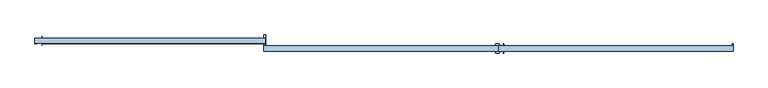
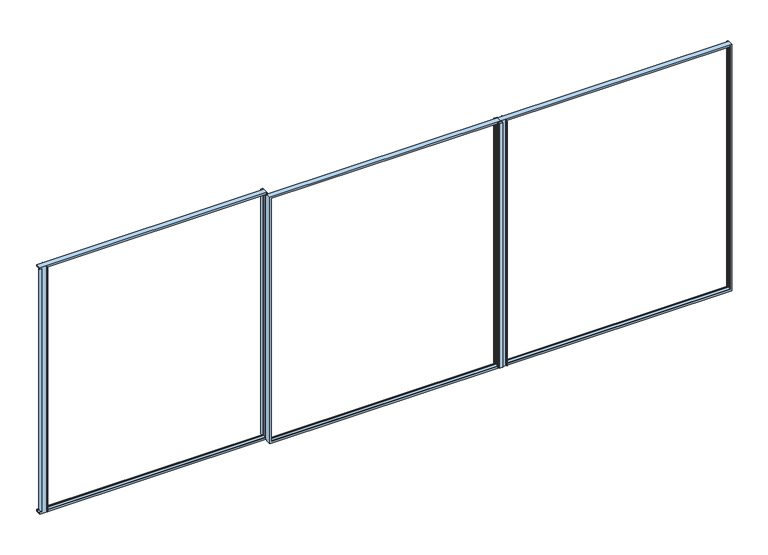
"""IFC4 building model written with IfcOpenShell, lengths in millimetres: window geometry."""

from ifc_helpers import new_model, si_unit, frame, origin, place, context, project, spatial, polyline, circle_curve, source, transform, mapped, element, save
from ifc_brep_helpers import plane_surface, cylinder_surface, revolved_surface, advanced_brep


def window_4275bd97(model_context):
    return source(origin(), model_context, "Body", "AdvancedBrep", [
        advanced_brep(
        [(3163.5698952, -74.5, 857.0), (3166.4537305, -72.3267369, 857.0), (3167.8365185, -67.5032764, 857.0), (3167.7118247, -65.5669635, 857.0), (3161.9766735, -50.1567861, 857.0), (3162.4514557, -49.5, 857.0), (3165.2114946, -49.5, 857.0), (3166.1677993, -50.2076283, 857.0), (3170.8203699, -65.425501, 857.0), (3170.8203699, -67.9823333, 857.0), (3168.9518875, -74.5, 857.0), (3168.9518875, -143.3, 857.0), (3170.8203699, -149.8176667, 857.0), (3170.8203699, -152.374499, 857.0), (3166.1677993, -167.5923717, 857.0), (3165.2114946, -168.3, 857.0), (3162.4514557, -168.3, 857.0), (3161.9766735, -167.6432139, 857.0), (3167.7118247, -152.2330365, 857.0), (3167.8365185, -150.2967236, 857.0), (3166.4537305, -145.4732631, 857.0), (3163.5698952, -143.3, 857.0), (3163.5698952, -74.5, 4243.0), (3166.4537305, -72.3267369, 4243.0), (3167.8365185, -67.5032764, 4243.0), (3167.7118247, -65.5669635, 4243.0), (3161.9766735, -50.1567861, 4243.0), (3162.4514557, -49.5, 4243.0), (3165.2114946, -49.5, 4243.0), (3166.1677993, -50.2076283, 4243.0), (3170.8203699, -65.425501, 4243.0), (3170.8203699, -67.9823333, 4243.0), (3168.9518875, -74.5, 4243.0), (6125.0, -74.5, 844.6250765), (3100.0, -74.5, 844.6250765), (3100.0, -74.5, 845.5), (74.0, -74.5, 845.5), (74.0, -74.5, 857.0), (85.6, -74.5, 857.0), (85.6, -74.5, 4243.0), (74.0, -74.5, 4243.0), (74.0, -74.5, 4256.0), (3100.0, -74.5, 4256.0), (3100.0, -74.5, 4257.5), (6125.0, -74.5, 4257.5), (6125.0, -74.5, 4243.0), (6114.4, -74.5, 4243.0), (6114.4, -74.5, 857.0), (6125.0, -74.5, 857.0), (3056.9, -74.5, 869.1), (3056.9, -74.5, 4231.5), (100.0, -74.5, 4231.5), (100.0, -74.5, 869.1), (3171.0, -74.5, 4231.5), (3171.0, -74.5, 869.1), (6100.0, -74.5, 869.1), (6100.0, -74.5, 4231.5), (3100.0, -74.5, 4243.0), (3057.9800343, -74.5, 4243.0), (3057.9800343, -74.5, 857.0), (3100.0, -74.5, 857.0), (3168.9518875, -143.3, 4243.0), (3170.8203699, -149.8176667, 4243.0), (3170.8203699, -152.374499, 4243.0), (3166.1677993, -167.5923717, 4243.0), (3165.2114946, -168.3, 4243.0), (3162.4514557, -168.3, 4243.0), (3161.9766735, -167.6432139, 4243.0), (3167.7118247, -152.2330365, 4243.0), (3167.8365185, -150.2967236, 4243.0), (3166.4537305, -145.4732631, 4243.0), (3163.5698952, -143.3, 4243.0), (3100.0, -143.3, 844.6250765), (6125.0, -143.3, 844.6250765), (6125.0, -143.3, 4257.5), (3100.0, -143.3, 4257.5), (3100.0, -143.3, 4256.0), (74.0, -143.3, 4256.0), (74.0, -143.3, 845.5), (3100.0, -143.3, 845.5), (3171.0, -143.3, 869.1), (3171.0, -143.3, 4231.5), (6101.0, -143.3, 4231.5), (6101.0, -143.3, 869.1), (99.0, -143.3, 869.1), (99.0, -143.3, 4231.5), (3056.9, -143.3, 4231.5), (3056.9, -143.3, 4243.0), (3100.0, -143.3, 4243.0), (3100.0, -143.3, 857.0), (3056.9, -143.3, 857.0), (3056.9, -143.3, 869.1), (6125.0, -48.4969017, 857.0), (6125.0, -48.4969017, 4243.0), (74.0, -48.4969017, 4243.0), (74.0, -48.4969017, 857.0), (3171.0, -136.0, 869.1), (3171.0, -136.0, 4239.9999325), (3171.0, -140.1, 4239.9999325), (3171.0, -140.1, 4231.5), (6101.0, -140.1, 4231.5), (6101.0, -140.1, 4239.9999325), (6101.0, -136.0, 4239.9999325), (6101.0, -136.0, 869.1), (99.0, -136.0, 869.1), (99.0, -136.0, 4231.5), (3100.0, -146.2, 4243.0), (3100.0, -146.2, 857.0), (3100.0, -71.7983618, 857.0), (3100.0, -71.7983618, 4243.0), (3112.5, -146.2, 857.0), (3112.5, -152.126146, 857.0), (3112.3689143, -153.0032611, 857.0), (3107.6310857, -168.5, 857.0), (3062.2689143, -168.5, 857.0), (3057.5310857, -153.0032611, 857.0), (3057.4, -152.126146, 857.0), (3057.4, -144.0800343, 857.0), (3057.9800343, -143.5, 857.0), (3056.9, -143.5, 857.0), (3057.4, -73.9199657, 857.0), (3057.4, -65.5156518, 857.0), (3062.0520916, -50.2092041, 857.0), (3063.0088768, -49.5, 857.0), (3106.8911247, -49.5, 857.0), (3107.8687195, -50.2895046, 857.0), (3112.3687101, -64.9960714, 857.0), (3112.5, -65.873854, 857.0), (3112.5, -71.7983618, 857.0), (3056.9, -143.5, 4243.0), (3056.9, -136.0, 4231.5), (3056.9, -136.0, 869.1), (6113.0, -136.0, 4239.9999325), (6113.0, -136.0, 860.0000675), (3156.9514556, -136.0, 860.0000675), (3156.9514556, -136.0, 4239.9999325), (6113.0, -82.0, 860.0000675), (6113.0, -82.0, 4239.9999325), (3156.9514556, -82.0, 860.0000675), (3156.9514556, -82.0, 4239.9999325), (3171.0, -82.0, 869.1), (3171.0, -82.0, 4231.5), (6100.0, -82.0, 4231.5), (6100.0, -82.0, 869.1), (85.6, -48.4969017, 857.0), (85.6, -48.4969017, 4243.0), (6114.4, -48.4969017, 4243.0), (6114.4, -48.4969017, 857.0), (3057.4, -73.9199657, 4243.0), (3056.9, -82.0, 869.1), (3056.9, -82.0, 4231.5), (100.0, -82.0, 869.1), (100.0, -82.0, 4231.5), (3068.9, -136.0, 860.0000675), (87.0, -136.0, 860.0000675), (87.0, -136.0, 4239.9999325), (3068.9, -136.0, 4239.9999325), (87.0, -82.0, 860.0000675), (3068.9, -82.0, 860.0000675), (87.0, -82.0, 4239.9999325), (3068.9, -82.0, 4239.9999325), (3112.5, -146.2, 4243.0), (3112.5, -152.126146, 4243.0), (3112.3689143, -153.0032611, 4243.0), (3107.6310857, -168.5, 4243.0), (3062.2689143, -168.5, 4243.0), (3057.5310857, -153.0032611, 4243.0), (3057.4, -152.126146, 4243.0), (3057.4, -144.0800343, 4243.0), (3057.9800343, -143.5, 4243.0), (3057.4, -65.5156518, 4243.0), (3062.0520916, -50.2092041, 4243.0), (3063.0088768, -49.5, 4243.0), (3106.8911247, -49.5, 4243.0), (3107.8687195, -50.2895046, 4243.0), (3112.3687101, -64.9960714, 4243.0), (3112.5, -65.873854, 4243.0), (3112.5, -71.7983618, 4243.0)],
        [
            (0, 1, circle_curve(frame((3163.5698952, -71.5, 857.0), z_axis=(0.0, 0.0, 1.0), x_axis=(0.0, -1.0, 0.0)), 3.0)),
            (1, 2),
            (2, 3, circle_curve(frame((3164.9412396, -66.7175538, 857.0), z_axis=(0.0, 0.0, 1.0), x_axis=(0.0, -1.0, 0.0)), 3.0)),
            (3, 4, circle_curve(frame((3371.1446142, 18.9162025, 857.0), z_axis=(0.0, 0.0, -1.0), x_axis=(0.0, -1.0, 0.0)), 220.2777909)),
            (4, 5, circle_curve(frame((3162.4514557, -50.0, 857.0), z_axis=(0.0, 0.0, -1.0), x_axis=(0.0, -1.0, 0.0)), 0.5)),
            (5, 6),
            (6, 7, circle_curve(frame((3165.2114946, -50.5, 857.0), z_axis=(0.0, 0.0, -1.0), x_axis=(0.0, -1.0, 0.0)), 1.0)),
            (7, 8),
            (8, 9, circle_curve(frame((3166.3609807, -66.7039171, 857.0), z_axis=(0.0, 0.0, -1.0), x_axis=(0.0, -1.0, 0.0)), 4.6390193)),
            (9, 10),
            (10, 0),
            (11, 12),
            (12, 13, circle_curve(frame((3166.3609807, -151.0960829, 857.0), z_axis=(0.0, 0.0, -1.0), x_axis=(0.0, -1.0, 0.0)), 4.6390193)),
            (13, 14),
            (14, 15, circle_curve(frame((3165.2114946, -167.3, 857.0), z_axis=(0.0, 0.0, -1.0), x_axis=(0.0, -1.0, 0.0)), 1.0)),
            (15, 16),
            (16, 17, circle_curve(frame((3162.4514557, -167.8, 857.0), z_axis=(0.0, 0.0, -1.0), x_axis=(0.0, -1.0, 0.0)), 0.5)),
            (17, 18, circle_curve(frame((3371.1446142, -236.7162025, 857.0), z_axis=(0.0, 0.0, -1.0), x_axis=(0.0, -1.0, 0.0)), 220.2777909)),
            (18, 19, circle_curve(frame((3164.9412396, -151.0824462, 857.0), z_axis=(0.0, 0.0, 1.0), x_axis=(0.0, -1.0, 0.0)), 3.0)),
            (19, 20),
            (20, 21, circle_curve(frame((3163.5698952, -146.3, 857.0), z_axis=(0.0, 0.0, 1.0), x_axis=(0.0, -1.0, 0.0)), 3.0)),
            (21, 11),
            (22, 23, circle_curve(frame((3163.5698952, -71.5, 4243.0), z_axis=(0.0, 0.0, 1.0), x_axis=(0.0, -1.0, 0.0)), 3.0)),
            (23, 1),
            (0, 22),
            (23, 24),
            (24, 2),
            (24, 25, circle_curve(frame((3164.9412396, -66.7175538, 4243.0), z_axis=(0.0, 0.0, 1.0), x_axis=(0.0, -1.0, 0.0)), 3.0)),
            (25, 3),
            (25, 26, circle_curve(frame((3371.1446142, 18.9162025, 4243.0), z_axis=(0.0, 0.0, -1.0), x_axis=(0.0, -1.0, 0.0)), 220.2777909)),
            (26, 4),
            (26, 27, circle_curve(frame((3162.4514557, -50.0, 4243.0), z_axis=(0.0, 0.0, -1.0), x_axis=(0.0, -1.0, 0.0)), 0.5)),
            (27, 5),
            (27, 28),
            (28, 6),
            (28, 29, circle_curve(frame((3165.2114946, -50.5, 4243.0), z_axis=(0.0, 0.0, -1.0), x_axis=(0.0, -1.0, 0.0)), 1.0)),
            (29, 7),
            (29, 30),
            (30, 8),
            (30, 31, circle_curve(frame((3166.3609807, -66.7039171, 4243.0), z_axis=(0.0, 0.0, -1.0), x_axis=(0.0, -1.0, 0.0)), 4.6390193)),
            (31, 9),
            (31, 32),
            (32, 10),
            (33, 34),
            (34, 35),
            (35, 36),
            (36, 37),
            (37, 38),
            (38, 39),
            (39, 40),
            (40, 41),
            (41, 42),
            (42, 43),
            (43, 44),
            (44, 45),
            (45, 46),
            (46, 47),
            (47, 48),
            (48, 33),
            (32, 22),
            (49, 50),
            (50, 51),
            (51, 52),
            (52, 49),
            (53, 54),
            (54, 55),
            (55, 56),
            (56, 53),
            (57, 58),
            (58, 59),
            (59, 60),
            (60, 57),
            (61, 62),
            (62, 12),
            (11, 61),
            (62, 63, circle_curve(frame((3166.3609807, -151.0960829, 4243.0), z_axis=(0.0, 0.0, -1.0), x_axis=(0.0, -1.0, 0.0)), 4.6390193)),
            (63, 13),
            (63, 64),
            (64, 14),
            (64, 65, circle_curve(frame((3165.2114946, -167.3, 4243.0), z_axis=(0.0, 0.0, -1.0), x_axis=(0.0, -1.0, 0.0)), 1.0)),
            (65, 15),
            (65, 66),
            (66, 16),
            (66, 67, circle_curve(frame((3162.4514557, -167.8, 4243.0), z_axis=(0.0, 0.0, -1.0), x_axis=(0.0, -1.0, 0.0)), 0.5)),
            (67, 17),
            (67, 68, circle_curve(frame((3371.1446142, -236.7162025, 4243.0), z_axis=(0.0, 0.0, -1.0), x_axis=(0.0, -1.0, 0.0)), 220.2777909)),
            (68, 18),
            (68, 69, circle_curve(frame((3164.9412396, -151.0824462, 4243.0), z_axis=(0.0, 0.0, 1.0), x_axis=(0.0, -1.0, 0.0)), 3.0)),
            (69, 19),
            (69, 70),
            (70, 20),
            (70, 71, circle_curve(frame((3163.5698952, -146.3, 4243.0), z_axis=(0.0, 0.0, 1.0), x_axis=(0.0, -1.0, 0.0)), 3.0)),
            (71, 21),
            (72, 73),
            (73, 74),
            (74, 75),
            (75, 76),
            (76, 77),
            (77, 78),
            (78, 79),
            (79, 72),
            (71, 61),
            (80, 81),
            (81, 82),
            (82, 83),
            (83, 80),
            (84, 85),
            (85, 86),
            (86, 87),
            (87, 88),
            (88, 89),
            (89, 90),
            (90, 91),
            (91, 84),
            (34, 72),
            (79, 35),
            (75, 43),
            (42, 76),
            (33, 73),
            (78, 36),
            (48, 92),
            (92, 93),
            (93, 45),
            (44, 74),
            (94, 95),
            (95, 37),
            (77, 41),
            (40, 94),
            (80, 96),
            (96, 97),
            (97, 98),
            (98, 99),
            (99, 81),
            (82, 100),
            (100, 101),
            (101, 102),
            (102, 103),
            (103, 83),
            (103, 96),
            (84, 104),
            (104, 105),
            (105, 85),
            (106, 107),
            (107, 89),
            (88, 106),
            (108, 109),
            (109, 57),
            (60, 108),
            (107, 110),
            (110, 111),
            (111, 112, circle_curve(frame((3109.5, -152.126146, 857.0), z_axis=(0.0, 0.0, -1.0), x_axis=(0.0, -1.0, 0.0)), 3.0)),
            (112, 113),
            (113, 114),
            (114, 115),
            (115, 116, circle_curve(frame((3060.4, -152.126146, 857.0), z_axis=(0.0, 0.0, -1.0), x_axis=(0.0, -1.0, 0.0)), 3.0)),
            (116, 117),
            (117, 118),
            (118, 119),
            (119, 90),
            (59, 120),
            (120, 121),
            (121, 122),
            (122, 123, circle_curve(frame((3063.0088768, -50.5, 857.0), z_axis=(0.0, 0.0, -1.0), x_axis=(0.0, -1.0, 0.0)), 1.0)),
            (123, 124),
            (124, 125, circle_curve(frame((3106.8911247, -50.5, 857.0), z_axis=(0.0, 0.0, -1.0), x_axis=(0.0, -1.0, 0.0)), 1.0)),
            (125, 126),
            (126, 127, circle_curve(frame((3109.5, -65.873854, 857.0), z_axis=(0.0, 0.0, -1.0), x_axis=(0.0, -1.0, 0.0)), 3.0)),
            (127, 128),
            (128, 108),
            (119, 129),
            (129, 87),
            (86, 130),
            (130, 131),
            (131, 91),
            (131, 104),
            (102, 132),
            (132, 133),
            (133, 134),
            (134, 135),
            (135, 97),
            (136, 133),
            (132, 137),
            (137, 136),
            (138, 134),
            (136, 138),
            (138, 139),
            (139, 135),
            (137, 139),
            (140, 141),
            (141, 142),
            (142, 143),
            (143, 140),
            (140, 54),
            (53, 141),
            (142, 56),
            (55, 143),
            (95, 144),
            (144, 38),
            (145, 39),
            (144, 145),
            (46, 146),
            (146, 147),
            (147, 47),
            (147, 92),
            (58, 148),
            (148, 120),
            (49, 149),
            (149, 150),
            (150, 50),
            (151, 52),
            (51, 152),
            (152, 151),
            (151, 149),
            (146, 93),
            (94, 145),
            (153, 154),
            (154, 155),
            (155, 156),
            (156, 153),
            (130, 105),
            (157, 154),
            (153, 158),
            (158, 157),
            (157, 159),
            (159, 155),
            (160, 158),
            (156, 160),
            (160, 159),
            (152, 150),
            (106, 161),
            (161, 110),
            (161, 162),
            (162, 111),
            (162, 163, circle_curve(frame((3109.5, -152.126146, 4243.0), z_axis=(0.0, 0.0, -1.0), x_axis=(0.0, -1.0, 0.0)), 3.0)),
            (163, 112),
            (163, 164),
            (164, 113),
            (164, 165),
            (165, 114),
            (165, 166),
            (166, 115),
            (166, 167, circle_curve(frame((3060.4, -152.126146, 4243.0), z_axis=(0.0, 0.0, -1.0), x_axis=(0.0, -1.0, 0.0)), 3.0)),
            (167, 116),
            (167, 168),
            (168, 117),
            (168, 169),
            (169, 118),
            (169, 129),
            (148, 170),
            (170, 121),
            (170, 171),
            (171, 122),
            (171, 172, circle_curve(frame((3063.0088768, -50.5, 4243.0), z_axis=(0.0, 0.0, -1.0), x_axis=(0.0, -1.0, 0.0)), 1.0)),
            (172, 123),
            (172, 173),
            (173, 124),
            (173, 174, circle_curve(frame((3106.8911247, -50.5, 4243.0), z_axis=(0.0, 0.0, -1.0), x_axis=(0.0, -1.0, 0.0)), 1.0)),
            (174, 125),
            (174, 175),
            (175, 126),
            (175, 176, circle_curve(frame((3109.5, -65.873854, 4243.0), z_axis=(0.0, 0.0, -1.0), x_axis=(0.0, -1.0, 0.0)), 3.0)),
            (176, 127),
            (176, 177),
            (177, 128),
            (177, 109),
            (99, 100),
            (101, 98),
        ],
        [
            plane_surface(frame((3100.0, 100.0, 857.0), z_axis=(0.0, 0.0, -1.0), x_axis=(0.0, -1.0, 0.0))),
            revolved_surface(polyline([(3163.5698952, -74.5, 857.0), (3163.5698952, -74.5, 4243.0)]), (3163.5698952, -71.5, 4243.0), (0.0, 0.0, -1.0)),
            plane_surface(frame((3167.8365185, -67.5032764, 4243.0), z_axis=(-0.9612784358413581, 0.27557897014538674, 0.0), x_axis=(0.0, 0.0, -1.0))),
            revolved_surface(polyline([(3164.9412396, -69.7175538, 857.0), (3164.9412396, -69.7175538, 4243.0)]), (3164.9412396, -66.7175538, 4243.0), (0.0, 0.0, -1.0)),
            cylinder_surface(frame((3371.1446142, 18.9162025, 4243.0), z_axis=(0.0, 0.0, 1.0), x_axis=(0.0, -1.0, 0.0)), 220.2777909),
            cylinder_surface(frame((3162.4514557, -50.0, 4243.0), z_axis=(0.0, 0.0, 1.0), x_axis=(0.0, -1.0, 0.0)), 0.5),
            plane_surface(frame((3165.2114946, -49.5, 4243.0), z_axis=(0.0, 1.0, 0.0), x_axis=(0.0, 0.0, -1.0))),
            cylinder_surface(frame((3165.2114946, -50.5, 4243.0), z_axis=(0.0, 0.0, 1.0), x_axis=(0.0, -1.0, 0.0)), 1.0),
            plane_surface(frame((3170.8203699, -65.425501, 4243.0), z_axis=(0.9563047559630969, 0.29237170472253593, 0.0), x_axis=(0.0, 0.0, -1.0))),
            cylinder_surface(frame((3166.3609807, -66.7039171, 4243.0), z_axis=(0.0, 0.0, 1.0), x_axis=(0.0, -1.0, 0.0)), 4.6390193),
            plane_surface(frame((3168.9518875, -74.5, 4243.0), z_axis=(0.9612784356161288, -0.2755789709310353, 0.0), x_axis=(0.0, 0.0, -1.0))),
            plane_surface(frame((3171.0, -74.5, 4243.0), z_axis=(0.0, 1.0, 0.0), x_axis=(0.0, 0.0, -1.0))),
            plane_surface(frame((3170.8203699, -149.8176667, 4243.0), z_axis=(0.9612784356501644, 0.2755789708123116, 0.0), x_axis=(0.0, 0.0, -1.0))),
            cylinder_surface(frame((3166.3609807, -151.0960829, 4243.0), z_axis=(0.0, 0.0, 1.0), x_axis=(0.0, -1.0, 0.0)), 4.6390193),
            plane_surface(frame((3166.1677993, -167.5923717, 4243.0), z_axis=(0.9563047559631205, -0.2923717047224588, 0.0), x_axis=(0.0, 0.0, -1.0))),
            cylinder_surface(frame((3165.2114946, -167.3, 4243.0), z_axis=(0.0, 0.0, 1.0), x_axis=(0.0, -1.0, 0.0)), 1.0),
            plane_surface(frame((3162.4514557, -168.3, 4243.0), z_axis=(0.0, -1.0, 0.0), x_axis=(0.0, 0.0, -1.0))),
            cylinder_surface(frame((3162.4514557, -167.8, 4243.0), z_axis=(0.0, 0.0, 1.0), x_axis=(0.0, -1.0, 0.0)), 0.5),
            cylinder_surface(frame((3371.1446142, -236.7162025, 4243.0), z_axis=(0.0, 0.0, 1.0), x_axis=(0.0, -1.0, 0.0)), 220.2777909),
            revolved_surface(polyline([(3164.9412396, -154.0824462, 857.0), (3164.9412396, -154.0824462, 4243.0)]), (3164.9412396, -151.0824462, 4243.0), (0.0, 0.0, -1.0)),
            plane_surface(frame((3166.4537305, -145.4732631, 4243.0), z_axis=(-0.9612784358644257, -0.27557897006492205, 0.0), x_axis=(0.0, 0.0, -1.0))),
            revolved_surface(polyline([(3163.5698952, -149.3, 857.0), (3163.5698952, -149.3, 4243.0)]), (3163.5698952, -146.3, 4243.0), (0.0, 0.0, -1.0)),
            plane_surface(frame((3100.0, -143.3, 4243.0), z_axis=(0.0, -1.0, 0.0), x_axis=(0.0, 0.0, -1.0))),
            plane_surface(frame((3100.0, -74.5, 4243.0), z_axis=(-1.0, 0.0, 0.0), x_axis=(0.0, 0.0, -1.0))),
            plane_surface(frame((3100.0, -74.5, 844.6250765), z_axis=(0.0, 0.0, -1.0), x_axis=(1.0, 0.0, 0.0))),
            plane_surface(frame((74.0, -74.5, 845.5), z_axis=(0.0, 0.0, -1.0), x_axis=(1.0, 0.0, 0.0))),
            plane_surface(frame((6125.0, -74.5, 869.1), z_axis=(1.0, 0.0, 0.0), x_axis=(0.0, -1.0, 0.0))),
            plane_surface(frame((74.0, -48.4969017, 4243.0), z_axis=(-1.0, 0.0, 0.0), x_axis=(0.0, 0.0, -1.0))),
            plane_surface(frame((3171.0, -143.3, 4243.0), z_axis=(1.0, 0.0, 0.0), x_axis=(0.0, 0.0, -1.0))),
            plane_surface(frame((6101.0, -136.0, 4243.0), z_axis=(-1.0, 0.0, 0.0), x_axis=(0.0, 0.0, -1.0))),
            plane_surface(frame((3100.0, -143.3, 869.1), z_axis=(0.0, 0.0, 1.0), x_axis=(1.0, 0.0, 0.0))),
            plane_surface(frame((99.0, -143.3, 4243.0), z_axis=(1.0, 0.0, 0.0), x_axis=(0.0, 0.0, -1.0))),
            plane_surface(frame((3100.0, -106.9, 4243.0), z_axis=(1.0, 0.0, 0.0), x_axis=(0.0, 0.0, -1.0))),
            plane_surface(frame((3056.9, -136.0, 4243.0), z_axis=(-1.0, 0.0, 0.0), x_axis=(0.0, 0.0, -1.0))),
            plane_surface(frame((74.0, -143.3, 869.1), z_axis=(0.0, 0.0, 1.0), x_axis=(1.0, 0.0, 0.0))),
            plane_surface(frame((3171.0, -136.0, 4243.0), z_axis=(0.0, 1.0, 0.0), x_axis=(0.0, 0.0, -1.0))),
            plane_surface(frame((6113.0, -82.0, 4243.0), z_axis=(-1.0, 0.0, 0.0), x_axis=(0.0, 0.0, -1.0))),
            plane_surface(frame((3100.0, -136.0, 860.0000675), z_axis=(0.0, 0.0, 1.0), x_axis=(1.0, 0.0, 0.0))),
            plane_surface(frame((3156.9514556, -136.0, 4243.0), z_axis=(1.0, 0.0, 0.0), x_axis=(0.0, 0.0, -1.0))),
            plane_surface(frame((3156.9514556, -82.0, 4243.0), z_axis=(0.0, -1.0, 0.0), x_axis=(0.0, 0.0, -1.0))),
            plane_surface(frame((3171.0, -82.0, 4243.0), z_axis=(1.0, 0.0, 0.0), x_axis=(0.0, 0.0, -1.0))),
            plane_surface(frame((6100.0, -74.5, 4243.0), z_axis=(-1.0, 0.0, 0.0), x_axis=(0.0, 0.0, -1.0))),
            plane_surface(frame((3100.0, -82.0, 869.1), z_axis=(0.0, 0.0, 1.0), x_axis=(1.0, 0.0, 0.0))),
            plane_surface(frame((74.0, -143.3, 857.0), z_axis=(0.0, 0.0, -1.0), x_axis=(0.0, 1.0, 0.0))),
            plane_surface(frame((85.6, -74.5, 4243.0), z_axis=(1.0, 0.0, 0.0), x_axis=(0.0, 0.0, -1.0))),
            plane_surface(frame((6114.4, -48.4969017, 4243.0), z_axis=(-1.0, 0.0, 0.0), x_axis=(0.0, 0.0, -1.0))),
            plane_surface(frame((6114.4, -48.4969017, 857.0), z_axis=(0.0, 0.0, -1.0), x_axis=(1.0, 0.0, 0.0))),
            plane_surface(frame((3057.4, -73.9199657, 4243.0), z_axis=(-0.7071067811873726, -0.7071067811857225, 0.0), x_axis=(0.0, 0.0, -1.0))),
            plane_surface(frame((3056.9, -74.5, 4243.0), z_axis=(-1.0, 0.0, 0.0), x_axis=(0.0, 0.0, -1.0))),
            plane_surface(frame((100.0, -82.0, 4243.0), z_axis=(1.0, 0.0, 0.0), x_axis=(0.0, 0.0, -1.0))),
            plane_surface(frame((74.0, -82.0, 869.1), z_axis=(0.0, 0.0, 1.0), x_axis=(1.0, 0.0, 0.0))),
            plane_surface(frame((6125.0, -48.4969017, 4243.0), z_axis=(0.0, 1.0, 0.0), x_axis=(0.0, 0.0, -1.0))),
            plane_surface(frame((85.6, -48.4969017, 4243.0), z_axis=(0.0, 1.0, 0.0), x_axis=(0.0, 0.0, -1.0))),
            plane_surface(frame((99.0, -136.0, 4243.0), z_axis=(0.0, 1.0, 0.0), x_axis=(0.0, 0.0, -1.0))),
            plane_surface(frame((74.0, -136.0, 860.0000675), z_axis=(0.0, 0.0, 1.0), x_axis=(1.0, 0.0, 0.0))),
            plane_surface(frame((87.0, -136.0, 4243.0), z_axis=(1.0, 0.0, 0.0), x_axis=(0.0, 0.0, -1.0))),
            plane_surface(frame((3068.9, -82.0, 4243.0), z_axis=(-1.0, 0.0, 0.0), x_axis=(0.0, 0.0, -1.0))),
            plane_surface(frame((87.0, -82.0, 4243.0), z_axis=(0.0, -1.0, 0.0), x_axis=(0.0, 0.0, -1.0))),
            plane_surface(frame((3112.5, -146.2, 4243.0), z_axis=(0.0, 1.0, 0.0), x_axis=(0.0, 0.0, -1.0))),
            plane_surface(frame((3112.5, -152.126146, 4243.0), z_axis=(1.0, 0.0, 0.0), x_axis=(0.0, 0.0, -1.0))),
            cylinder_surface(frame((3109.5, -152.126146, 4243.0), z_axis=(0.0, 0.0, 1.0), x_axis=(0.0, -1.0, 0.0)), 3.0),
            plane_surface(frame((3107.6310857, -168.5, 4243.0), z_axis=(0.9563047559612567, -0.29237170472855495, 0.0), x_axis=(0.0, 0.0, -1.0))),
            plane_surface(frame((3062.2689143, -168.5, 4243.0), z_axis=(0.0, -1.0, 0.0), x_axis=(0.0, 0.0, -1.0))),
            plane_surface(frame((3057.5310857, -153.0032611, 4243.0), z_axis=(-0.9563047559632227, -0.2923717047221244, 0.0), x_axis=(0.0, 0.0, -1.0))),
            cylinder_surface(frame((3060.4, -152.126146, 4243.0), z_axis=(0.0, 0.0, 1.0), x_axis=(0.0, -1.0, 0.0)), 3.0),
            plane_surface(frame((3057.4, -144.0800343, 4243.0), z_axis=(-1.0, 0.0, 0.0), x_axis=(0.0, 0.0, -1.0))),
            plane_surface(frame((3057.9800343, -143.5, 4243.0), z_axis=(-0.7071067811863826, 0.7071067811867126, 0.0), x_axis=(0.0, 0.0, -1.0))),
            plane_surface(frame((3056.9, -143.5, 4243.0), z_axis=(0.0, -1.0, 0.0), x_axis=(0.0, 0.0, -1.0))),
            plane_surface(frame((3057.4, -65.5156518, 4243.0), z_axis=(-1.0, 0.0, 0.0), x_axis=(0.0, 0.0, -1.0))),
            plane_surface(frame((3062.0520916, -50.2092041, 4243.0), z_axis=(-0.9567851127741164, 0.29079588713360716, 0.0), x_axis=(0.0, 0.0, -1.0))),
            cylinder_surface(frame((3063.0088768, -50.5, 4243.0), z_axis=(0.0, 0.0, 1.0), x_axis=(0.0, -1.0, 0.0)), 1.0),
            plane_surface(frame((3106.8911247, -49.5, 4243.0), z_axis=(0.0, 1.0, 0.0), x_axis=(0.0, 0.0, -1.0))),
            cylinder_surface(frame((3106.8911247, -50.5, 4243.0), z_axis=(0.0, 0.0, 1.0), x_axis=(0.0, -1.0, 0.0)), 1.0),
            plane_surface(frame((3112.3687101, -64.9960714, 4243.0), z_axis=(0.9562367032450274, 0.29259420255206975, 0.0), x_axis=(0.0, 0.0, -1.0))),
            cylinder_surface(frame((3109.5, -65.873854, 4243.0), z_axis=(0.0, 0.0, 1.0), x_axis=(0.0, -1.0, 0.0)), 3.0),
            plane_surface(frame((3112.5, -71.7983618, 4243.0), z_axis=(1.0, 0.0, 0.0), x_axis=(0.0, 0.0, -1.0))),
            plane_surface(frame((3100.0, -71.7983618, 4243.0), z_axis=(0.0, -1.0, 0.0), x_axis=(0.0, 0.0, -1.0))),
            plane_surface(frame((3100.0, 100.0, 4243.0), z_axis=(0.0, 0.0, 1.0), x_axis=(0.0, -1.0, 0.0))),
            plane_surface(frame((3100.0, -143.3, 4257.5), z_axis=(0.0, 0.0, 1.0), x_axis=(1.0, 0.0, 0.0))),
            plane_surface(frame((74.0, -143.3, 4256.0), z_axis=(0.0, 0.0, 1.0), x_axis=(1.0, 0.0, 0.0))),
            plane_surface(frame((3100.0, -140.1, 4231.5), z_axis=(0.0, 0.0, -1.0), x_axis=(1.0, 0.0, 0.0))),
            plane_surface(frame((74.0, -136.0, 4231.5), z_axis=(0.0, 0.0, -1.0), x_axis=(1.0, 0.0, 0.0))),
            plane_surface(frame((3100.0, -82.0, 4239.9999325), z_axis=(0.0, 0.0, -1.0), x_axis=(1.0, 0.0, 0.0))),
            plane_surface(frame((3100.0, -140.1, 4239.9999325), z_axis=(0.0, 1.0, 0.0), x_axis=(1.0, 0.0, 0.0))),
            plane_surface(frame((3100.0, -74.5, 4231.5), z_axis=(0.0, 0.0, -1.0), x_axis=(1.0, 0.0, 0.0))),
            plane_surface(frame((74.0, -143.3, 4243.0), z_axis=(0.0, 0.0, 1.0), x_axis=(0.0, -1.0, 0.0))),
            plane_surface(frame((6114.4, -48.4969017, 4243.0), z_axis=(0.0, 0.0, 1.0), x_axis=(-1.0, 0.0, 0.0))),
            plane_surface(frame((74.0, -74.5, 4231.5), z_axis=(0.0, 0.0, -1.0), x_axis=(1.0, 0.0, 0.0))),
            plane_surface(frame((74.0, -82.0, 4239.9999325), z_axis=(0.0, 0.0, -1.0), x_axis=(1.0, 0.0, 0.0))),
        ],
        [
            (0, [[1, 2, 3, 4, 5, 6, 7, 8, 9, 10, 11]]),
            (0, [[12, 13, 14, 15, 16, 17, 18, 19, 20, 21, 22]]),
            (1, [[23, 24, -1, 25]]),
            (2, [[26, 27, -2, -24]]),
            (3, [[28, 29, -3, -27]]),
            (4, [[30, 31, -4, -29]]),
            (5, [[32, 33, -5, -31]]),
            (6, [[34, 35, -6, -33]]),
            (7, [[36, 37, -7, -35]]),
            (8, [[38, 39, -8, -37]]),
            (9, [[40, 41, -9, -39]]),
            (10, [[42, 43, -10, -41]]),
            (11, [[44, 45, 46, 47, 48, 49, 50, 51, 52, 53, 54, 55, 56, 57, 58, 59], [-11, -43, 60, -25], [61, 62, 63, 64], [65, 66, 67, 68], [69, 70, 71, 72]]),
            (12, [[73, 74, -12, 75]]),
            (13, [[76, 77, -13, -74]]),
            (14, [[78, 79, -14, -77]]),
            (15, [[80, 81, -15, -79]]),
            (16, [[82, 83, -16, -81]]),
            (17, [[84, 85, -17, -83]]),
            (18, [[86, 87, -18, -85]]),
            (19, [[88, 89, -19, -87]]),
            (20, [[90, 91, -20, -89]]),
            (21, [[92, 93, -21, -91]]),
            (22, [[94, 95, 96, 97, 98, 99, 100, 101], [-22, -93, 102, -75], [103, 104, 105, 106], [107, 108, 109, 110, 111, 112, 113, 114]]),
            (23, [[115, -101, 116, -45]]),
            (23, [[117, -53, 118, -97]]),
            (24, [[-115, -44, 119, -94]]),
            (25, [[120, -46, -116, -100]]),
            (26, [[-119, -59, 121, 122, 123, -55, 124, -95]]),
            (27, [[125, 126, -47, -120, -99, 127, -51, 128]]),
            (28, [[129, 130, 131, 132, 133, -103]]),
            (29, [[-105, 134, 135, 136, 137, 138]]),
            (30, [[-129, -106, -138, 139]]),
            (31, [[140, 141, 142, -107]]),
            (32, [[143, 144, -111, 145]]),
            (32, [[146, 147, -72, 148]]),
            (0, [[149, 150, 151, 152, 153, 154, 155, 156, 157, 158, 159, -112, -144]]),
            (0, [[160, 161, 162, 163, 164, 165, 166, 167, 168, 169, -148, -71]]),
            (33, [[170, 171, -109, 172, 173, 174, -113, -159]]),
            (34, [[175, -140, -114, -174]]),
            (35, [[-130, -139, -137, 176, 177, 178, 179, 180]]),
            (36, [[181, -177, 182, 183]]),
            (37, [[184, -178, -181, 185]]),
            (38, [[-184, 186, 187, -179]]),
            (39, [[-186, -185, -183, 188], [189, 190, 191, 192]]),
            (40, [[193, -65, 194, -189]]),
            (41, [[-191, 195, -67, 196]]),
            (42, [[-193, -192, -196, -66]]),
            (43, [[197, 198, -48, -126]]),
            (44, [[199, -49, -198, 200]]),
            (45, [[201, 202, 203, -57]]),
            (46, [[-203, 204, -121, -58]]),
            (47, [[-70, 205, 206, -160]]),
            (48, [[207, 208, 209, -61]]),
            (49, [[210, -63, 211, 212]]),
            (50, [[-64, -210, 213, -207]]),
            (51, [[214, -122, -204, -202]]),
            (52, [[215, -200, -197, -125]]),
            (53, [[216, 217, 218, 219], [-175, -173, 220, -141]]),
            (54, [[221, -216, 222, 223]]),
            (55, [[-217, -221, 224, 225]]),
            (56, [[226, -222, -219, 227]]),
            (57, [[-223, -226, 228, -224], [-213, -212, 229, -208]]),
            (58, [[230, 231, -149, -143]]),
            (59, [[232, 233, -150, -231]]),
            (60, [[234, 235, -151, -233]]),
            (61, [[236, 237, -152, -235]]),
            (62, [[238, 239, -153, -237]]),
            (63, [[240, 241, -154, -239]]),
            (64, [[242, 243, -155, -241]]),
            (65, [[244, 245, -156, -243]]),
            (66, [[246, 247, -157, -245]]),
            (67, [[248, -170, -158, -247]]),
            (68, [[249, 250, -161, -206]]),
            (69, [[251, 252, -162, -250]]),
            (70, [[253, 254, -163, -252]]),
            (71, [[255, 256, -164, -254]]),
            (72, [[257, 258, -165, -256]]),
            (73, [[259, 260, -166, -258]]),
            (74, [[261, 262, -167, -260]]),
            (75, [[263, 264, -168, -262]]),
            (76, [[265, -146, -169, -264]]),
            (77, [[-92, -90, -88, -86, -84, -82, -80, -78, -76, -73, -102]]),
            (77, [[-42, -40, -38, -36, -34, -32, -30, -28, -26, -23, -60]]),
            (78, [[-117, -96, -124, -54]]),
            (79, [[-127, -98, -118, -52]]),
            (80, [[-133, 266, -134, -104]]),
            (81, [[-220, -172, -108, -142]]),
            (77, [[-265, -263, -261, -259, -257, -255, -253, -251, -249, -205, -69, -147]]),
            (77, [[-248, -246, -244, -242, -240, -238, -236, -234, -232, -230, -145, -110, -171]]),
            (82, [[-131, -180, -187, -188, -182, -176, -136, 267]]),
            (83, [[-132, -267, -135, -266]]),
            (84, [[-194, -68, -195, -190]]),
            (85, [[-199, -215, -128, -50]]),
            (86, [[-214, -201, -56, -123]]),
            (87, [[-229, -211, -62, -209]]),
            (88, [[-228, -227, -218, -225]]),
        ],
    ),
        advanced_brep(
        [(-2880.0, 16.0, 869.1), (-2880.0, 23.3, 869.1), (-2880.0, 23.3, 843.125), (-2880.0, -45.5, 843.125), (-2880.0, -45.5, 869.1), (-2880.0, -38.0, 869.1), (-2880.0, -38.0, 857.125), (-2880.0, 16.0, 857.125), (-2855.5, 16.0, 869.1), (-2855.5, 23.3, 869.1), (-2784.5, 23.3, 869.1), (-2784.5, 16.0, 869.1), (74.0, 16.0, 869.1), (74.0, 23.3, 869.1), (-2855.5, 23.3, 4231.5), (-2880.0, 23.3, 4231.5), (-2880.0, 23.3, 4257.5), (94.0, 23.3, 4257.5), (94.0, 23.3, 4243.0), (74.0, 23.3, 4243.0), (74.0, 23.3, 4231.5), (-2784.5, 23.3, 4231.5), (74.0, 23.3, 857.0), (100.0, 23.3, 857.0), (100.0, 23.3, 843.125), (-2786.5, 23.3, 4239.9999325), (-2791.8815605, 23.3, 4239.9999325), (-2791.8815605, 23.3, 860.0000675), (-2786.5, 23.3, 860.0000675), (100.0, -45.5, 843.125), (100.0, -45.5, 857.0), (88.4, -45.5, 857.0), (88.4, -45.5, 4243.0), (94.0, -45.5, 4243.0), (94.0, -45.5, 4257.5), (-2880.0, -45.5, 4257.5), (-2880.0, -45.5, 4231.5), (-2855.5, -45.5, 4231.5), (-2855.5, -45.5, 869.1), (-2784.5, -45.5, 869.1), (-2784.5, -45.5, 4231.5), (74.0, -45.5, 4231.5), (74.0, -45.5, 869.1), (-2791.8815605, -45.5, 4239.9999325), (-2786.5, -45.5, 4239.9999325), (-2786.5, -45.5, 860.0000675), (-2791.8815605, -45.5, 860.0000675), (-2855.5, -38.0, 869.1), (-2784.5, -38.0, 869.1), (74.0, -38.0, 869.1), (-2855.5, -38.0, 860.0000675), (-2798.5, -38.0, 860.0000675), (-2798.5, -38.0, 4239.9999325), (-2855.5, -38.0, 4239.9999325), (-2855.5, -38.0, 4231.5), (-2880.0, -38.0, 4231.5), (-2880.0, -38.0, 4243.5), (94.0, -38.0, 4243.5), (94.0, -38.0, 4243.0), (87.0, -38.0, 4243.0), (87.0, -38.0, 857.125), (74.0, -38.0, 4231.5), (-2784.5, -38.0, 4231.5), (87.0, 16.0, 857.125), (87.0, 16.0, 4243.0), (94.0, 16.0, 4243.0), (94.0, 16.0, 4243.5), (-2880.0, 16.0, 4243.5), (-2880.0, 16.0, 4231.5), (-2855.5, 16.0, 4231.5), (-2855.5, 16.0, 4239.9999325), (-2798.5, 16.0, 4239.9999325), (-2798.5, 16.0, 860.0000675), (-2855.5, 16.0, 860.0000675), (-2784.5, 16.0, 4231.5), (74.0, 16.0, 4231.5), (100.0, 65.3, 857.0), (100.0, 65.3, 4243.0), (100.0, -71.5030983, 4243.0), (100.0, -71.5030983, 857.0), (88.4, -71.5030983, 857.0), (74.0, 65.3, 857.0), (74.0, 65.3, 4243.0), (88.4, -71.5030983, 4243.0), (-2788.9977754, 25.4730879, 860.0000675), (-2788.9977754, 25.4730879, 4239.9999325), (-2787.626431, 30.2555341, 860.0000675), (-2787.739631, 32.2330365, 860.0000675), (-2793.4747822, 47.6432139, 860.0000675), (-2793.0, 48.3, 860.0000675), (-2790.2399611, 48.3, 860.0000675), (-2789.2836563, 47.5923717, 860.0000675), (-2784.6310857, 32.374499, 860.0000675), (-2784.6310857, 29.8176786, 860.0000675), (-2784.6310857, -52.0176786, 860.0000675), (-2784.6310857, -54.574499, 860.0000675), (-2789.2836563, -69.7923717, 860.0000675), (-2790.2399611, -70.5, 860.0000675), (-2793.0, -70.5, 860.0000675), (-2793.4747822, -69.8432139, 860.0000675), (-2787.739631, -54.4330365, 860.0000675), (-2787.626431, -52.4555341, 860.0000675), (-2788.9977754, -47.6730879, 860.0000675), (-2784.6310857, 29.8176786, 4239.9999325), (-2784.6310857, -52.0176786, 4239.9999325), (-2788.9977754, -47.6730879, 4239.9999325), (-2787.626431, 30.2555341, 4239.9999325), (-2787.739631, 32.2330365, 4239.9999325), (-2793.4747822, 47.6432139, 4239.9999325), (-2793.0, 48.3, 4239.9999325), (-2790.2399611, 48.3, 4239.9999325), (-2789.2836563, 47.5923717, 4239.9999325), (-2784.6310857, 32.374499, 4239.9999325), (-2784.6310857, -54.574499, 4239.9999325), (-2789.2836563, -69.7923717, 4239.9999325), (-2790.2399611, -70.5, 4239.9999325), (-2793.0, -70.5, 4239.9999325), (-2793.4747822, -69.8432139, 4239.9999325), (-2787.739631, -54.4330365, 4239.9999325), (-2787.626431, -52.4555341, 4239.9999325)],
        [
            (0, 1),
            (1, 2),
            (2, 3),
            (3, 4),
            (4, 5),
            (5, 6),
            (6, 7),
            (7, 0),
            (0, 8),
            (8, 9),
            (9, 1),
            (10, 11),
            (11, 12),
            (12, 13),
            (13, 10),
            (9, 14),
            (14, 15),
            (15, 16),
            (16, 17),
            (17, 18),
            (18, 19),
            (19, 20),
            (20, 21),
            (21, 10),
            (13, 22),
            (22, 23),
            (23, 24),
            (24, 2),
            (25, 26),
            (26, 27),
            (27, 28),
            (28, 25),
            (24, 29),
            (29, 3),
            (29, 30),
            (30, 31),
            (31, 32),
            (32, 33),
            (33, 34),
            (34, 35),
            (35, 36),
            (36, 37),
            (37, 38),
            (38, 4),
            (39, 40),
            (40, 41),
            (41, 42),
            (42, 39),
            (43, 44),
            (44, 45),
            (45, 46),
            (46, 43),
            (38, 47),
            (47, 5),
            (48, 39),
            (42, 49),
            (49, 48),
            (47, 50),
            (50, 51),
            (51, 52),
            (52, 53),
            (53, 54),
            (54, 55),
            (55, 56),
            (56, 57),
            (57, 58),
            (58, 59),
            (59, 60),
            (60, 6),
            (49, 61),
            (61, 62),
            (62, 48),
            (60, 63),
            (63, 7),
            (63, 64),
            (64, 65),
            (65, 66),
            (66, 67),
            (67, 68),
            (68, 69),
            (69, 70),
            (70, 71),
            (71, 72),
            (72, 73),
            (73, 8),
            (11, 74),
            (74, 75),
            (75, 12),
            (23, 76),
            (76, 77),
            (77, 78),
            (78, 79),
            (79, 30),
            (79, 80),
            (80, 31),
            (81, 76),
            (22, 81),
            (82, 77),
            (81, 82),
            (78, 83),
            (83, 80),
            (73, 50),
            (37, 54),
            (53, 70),
            (69, 14),
            (21, 74),
            (75, 20),
            (19, 82),
            (84, 27, circle_curve(frame((-2791.8815605, 26.3, 860.0000675), z_axis=(0.0, 0.0, -1.0), x_axis=(-1.0, 0.0, 0.0)), 3.0)),
            (26, 85, circle_curve(frame((-2791.8815605, 26.3, 4239.9999325), z_axis=(0.0, 0.0, 1.0), x_axis=(-1.0, 0.0, 0.0)), 3.0)),
            (85, 84),
            (84, 86),
            (86, 87, circle_curve(frame((-2790.5102161, 31.0824462, 860.0000675), z_axis=(0.0, 0.0, 1.0), x_axis=(-1.0, 0.0, 0.0)), 3.0)),
            (87, 88, circle_curve(frame((-2584.3068415, 116.7162025, 860.0000675), z_axis=(0.0, 0.0, -1.0), x_axis=(-1.0, 0.0, 0.0)), 220.2777909)),
            (88, 89, circle_curve(frame((-2793.0, 47.8, 860.0000675), z_axis=(0.0, 0.0, -1.0), x_axis=(-1.0, 0.0, 0.0)), 0.5)),
            (89, 90),
            (90, 91, circle_curve(frame((-2790.2399611, 47.3, 860.0000675), z_axis=(0.0, 0.0, -1.0), x_axis=(-1.0, 0.0, 0.0)), 1.0)),
            (91, 92),
            (92, 93, circle_curve(frame((-2789.0894319, 31.0960888, 860.0000675), z_axis=(0.0, 0.0, -1.0), x_axis=(-1.0, 0.0, 0.0)), 4.638015)),
            (93, 28),
            (72, 51),
            (45, 94),
            (94, 95, circle_curve(frame((-2789.0894319, -53.2960888, 860.0000675), z_axis=(0.0, 0.0, -1.0), x_axis=(-1.0, 0.0, 0.0)), 4.638015)),
            (95, 96),
            (96, 97, circle_curve(frame((-2790.2399611, -69.5, 860.0000675), z_axis=(0.0, 0.0, -1.0), x_axis=(-1.0, 0.0, 0.0)), 1.0)),
            (97, 98),
            (98, 99, circle_curve(frame((-2793.0, -70.0, 860.0000675), z_axis=(0.0, 0.0, -1.0), x_axis=(-1.0, 0.0, 0.0)), 0.5)),
            (99, 100, circle_curve(frame((-2584.3068415, -138.9162025, 860.0000675), z_axis=(0.0, 0.0, -1.0), x_axis=(-1.0, 0.0, 0.0)), 220.2777909)),
            (100, 101, circle_curve(frame((-2790.5102161, -53.2824462, 860.0000675), z_axis=(0.0, 0.0, 1.0), x_axis=(-1.0, 0.0, 0.0)), 3.0)),
            (101, 102),
            (102, 46, circle_curve(frame((-2791.8815605, -48.5, 860.0000675), z_axis=(0.0, 0.0, 1.0), x_axis=(-1.0, 0.0, 0.0)), 3.0)),
            (93, 103),
            (103, 25),
            (83, 32),
            (62, 40),
            (41, 61),
            (44, 104),
            (104, 94),
            (102, 105),
            (105, 43, circle_curve(frame((-2791.8815605, -48.5, 4239.9999325), z_axis=(0.0, 0.0, 1.0), x_axis=(-1.0, 0.0, 0.0)), 3.0)),
            (71, 52),
            (59, 64),
            (85, 106),
            (106, 86),
            (106, 107, circle_curve(frame((-2790.5102161, 31.0824462, 4239.9999325), z_axis=(0.0, 0.0, 1.0), x_axis=(-1.0, 0.0, 0.0)), 3.0)),
            (107, 87),
            (107, 108, circle_curve(frame((-2584.3068415, 116.7162025, 4239.9999325), z_axis=(0.0, 0.0, -1.0), x_axis=(-1.0, 0.0, 0.0)), 220.2777909)),
            (108, 88),
            (108, 109, circle_curve(frame((-2793.0, 47.8, 4239.9999325), z_axis=(0.0, 0.0, -1.0), x_axis=(-1.0, 0.0, 0.0)), 0.5)),
            (109, 89),
            (109, 110),
            (110, 90),
            (110, 111, circle_curve(frame((-2790.2399611, 47.3, 4239.9999325), z_axis=(0.0, 0.0, -1.0), x_axis=(-1.0, 0.0, 0.0)), 1.0)),
            (111, 91),
            (111, 112),
            (112, 92),
            (112, 103, circle_curve(frame((-2789.0894319, 31.0960888, 4239.9999325), z_axis=(0.0, 0.0, -1.0), x_axis=(-1.0, 0.0, 0.0)), 4.638015)),
            (104, 113, circle_curve(frame((-2789.0894319, -53.2960888, 4239.9999325), z_axis=(0.0, 0.0, -1.0), x_axis=(-1.0, 0.0, 0.0)), 4.638015)),
            (113, 95),
            (113, 114),
            (114, 96),
            (114, 115, circle_curve(frame((-2790.2399611, -69.5, 4239.9999325), z_axis=(0.0, 0.0, -1.0), x_axis=(-1.0, 0.0, 0.0)), 1.0)),
            (115, 97),
            (115, 116),
            (116, 98),
            (116, 117, circle_curve(frame((-2793.0, -70.0, 4239.9999325), z_axis=(0.0, 0.0, -1.0), x_axis=(-1.0, 0.0, 0.0)), 0.5)),
            (117, 99),
            (117, 118, circle_curve(frame((-2584.3068415, -138.9162025, 4239.9999325), z_axis=(0.0, 0.0, -1.0), x_axis=(-1.0, 0.0, 0.0)), 220.2777909)),
            (118, 100),
            (118, 119, circle_curve(frame((-2790.5102161, -53.2824462, 4239.9999325), z_axis=(0.0, 0.0, 1.0), x_axis=(-1.0, 0.0, 0.0)), 3.0)),
            (119, 101),
            (119, 105),
            (18, 65),
            (58, 33),
            (68, 15),
            (35, 16),
            (67, 56),
            (55, 36),
            (34, 17),
            (57, 66),
        ],
        [
            plane_surface(frame((-2880.0, 23.3, 869.1), z_axis=(-1.0, 0.0, 0.0), x_axis=(0.0, 1.0, 0.0))),
            plane_surface(frame((-2880.0, 16.0, 869.1), z_axis=(0.0, 0.0, 1.0), x_axis=(1.0, 0.0, 0.0))),
            plane_surface(frame((-2880.0, 23.3, 869.1), z_axis=(0.0, 1.0, 0.0), x_axis=(1.0, 0.0, 0.0))),
            plane_surface(frame((-2880.0, 23.3, 843.125), z_axis=(0.0, 0.0, -1.0), x_axis=(1.0, 0.0, 0.0))),
            plane_surface(frame((-2880.0, -45.5, 843.125), z_axis=(0.0, -1.0, 0.0), x_axis=(1.0, 0.0, 0.0))),
            plane_surface(frame((-2880.0, -45.5, 869.1), z_axis=(0.0, 0.0, 1.0), x_axis=(1.0, 0.0, 0.0))),
            plane_surface(frame((-2880.0, -38.0, 869.1), z_axis=(0.0, 1.0, 0.0), x_axis=(1.0, 0.0, 0.0))),
            plane_surface(frame((-2880.0, -38.0, 857.125), z_axis=(0.0, 0.0, 1.0), x_axis=(1.0, 0.0, 0.0))),
            plane_surface(frame((-2880.0, 16.0, 857.125), z_axis=(0.0, -1.0, 0.0), x_axis=(1.0, 0.0, 0.0))),
            plane_surface(frame((100.0, 23.3, 869.1), z_axis=(1.0, 0.0, 0.0), x_axis=(0.0, -1.0, 0.0))),
            plane_surface(frame((74.0, 65.3, 857.0), z_axis=(0.0, 0.0, -1.0), x_axis=(1.0, 0.0, 0.0))),
            plane_surface(frame((100.0, 65.3, 4243.0), z_axis=(0.0, 1.0, 0.0), x_axis=(0.0, 0.0, -1.0))),
            plane_surface(frame((88.4, -71.5030983, 4243.0), z_axis=(0.0, -1.0, 0.0), x_axis=(0.0, 0.0, -1.0))),
            plane_surface(frame((-2855.5, -45.5, 860.0000675), z_axis=(-1.0, 0.0, 0.0), x_axis=(0.0, 0.0, 1.0))),
            plane_surface(frame((-2784.5, 23.3, 860.0000675), z_axis=(1.0, 0.0, 0.0), x_axis=(0.0, 0.0, 1.0))),
            plane_surface(frame((74.0, 65.3, 4243.0), z_axis=(-1.0, 0.0, 0.0), x_axis=(0.0, 0.0, -1.0))),
            revolved_surface(polyline([(-2794.8815605, 26.3, 4239.9999325), (-2794.8815605, 26.3, 860.0000675)]), (-2791.8815605, 26.3, 860.0000675), (0.0, 0.0, 1.0)),
            plane_surface(frame((-2784.5, 100.0, 860.0000675), z_axis=(0.0, 0.0, -1.0), x_axis=(0.0, -1.0, 0.0))),
            plane_surface(frame((-2784.6310857, 29.8176786, 860.0000675), z_axis=(0.9612616959382424, -0.27563735581726606, 0.0), x_axis=(0.0, 0.0, 1.0))),
            plane_surface(frame((88.4, -45.5, 4243.0), z_axis=(-1.0, 0.0, 0.0), x_axis=(0.0, 0.0, -1.0))),
            plane_surface(frame((-2784.5, -38.0, 860.0000675), z_axis=(1.0, 0.0, 0.0), x_axis=(0.0, 0.0, 1.0))),
            plane_surface(frame((74.0, -38.0, 4243.0), z_axis=(-1.0, 0.0, 0.0), x_axis=(0.0, 0.0, -1.0))),
            plane_surface(frame((-2786.5, -45.5, 860.0000675), z_axis=(0.9612616959382501, 0.27563735581723936, 0.0), x_axis=(0.0, 0.0, 1.0))),
            revolved_surface(polyline([(-2794.8815605, -48.5, 4239.9999325), (-2794.8815605, -48.5, 860.0000675)]), (-2791.8815605, -48.5, 860.0000675), (0.0, 0.0, 1.0)),
            plane_surface(frame((-2798.5, 16.0, 860.0000675), z_axis=(1.0, 0.0, 0.0), x_axis=(0.0, 0.0, 1.0))),
            plane_surface(frame((87.0, 16.0, 4243.0), z_axis=(-1.0, 0.0, 0.0), x_axis=(0.0, 0.0, -1.0))),
            plane_surface(frame((-2788.9977754, 25.4730879, 860.0000675), z_axis=(-0.9612616959385609, 0.27563735581615506, 0.0), x_axis=(0.0, 0.0, 1.0))),
            revolved_surface(polyline([(-2793.5102161, 31.0824462, 4239.9999325), (-2793.5102161, 31.0824462, 860.0000675)]), (-2790.5102161, 31.0824462, 860.0000675), (0.0, 0.0, 1.0)),
            cylinder_surface(frame((-2584.3068415, 116.7162025, 860.0000675), z_axis=(0.0, 0.0, -1.0), x_axis=(-1.0, 0.0, 0.0)), 220.2777909),
            cylinder_surface(frame((-2793.0, 47.8, 860.0000675), z_axis=(0.0, 0.0, -1.0), x_axis=(-1.0, 0.0, 0.0)), 0.5),
            plane_surface(frame((-2793.0, 48.3, 860.0000675), z_axis=(0.0, 1.0, 0.0), x_axis=(0.0, 0.0, 1.0))),
            cylinder_surface(frame((-2790.2399611, 47.3, 860.0000675), z_axis=(0.0, 0.0, -1.0), x_axis=(-1.0, 0.0, 0.0)), 1.0),
            plane_surface(frame((-2789.2836563, 47.5923717, 860.0000675), z_axis=(0.956304755963108, 0.29237170472249946, 0.0), x_axis=(0.0, 0.0, 1.0))),
            cylinder_surface(frame((-2789.0894319, 31.0960888, 860.0000675), z_axis=(0.0, 0.0, -1.0), x_axis=(-1.0, 0.0, 0.0)), 4.638015),
            cylinder_surface(frame((-2789.0894319, -53.2960888, 860.0000675), z_axis=(0.0, 0.0, -1.0), x_axis=(-1.0, 0.0, 0.0)), 4.638015),
            plane_surface(frame((-2784.6310857, -54.574499, 860.0000675), z_axis=(0.9563047559630927, -0.2923717047225496, 0.0), x_axis=(0.0, 0.0, 1.0))),
            cylinder_surface(frame((-2790.2399611, -69.5, 860.0000675), z_axis=(0.0, 0.0, -1.0), x_axis=(-1.0, 0.0, 0.0)), 1.0),
            plane_surface(frame((-2790.2399611, -70.5, 860.0000675), z_axis=(0.0, -1.0, 0.0), x_axis=(0.0, 0.0, 1.0))),
            cylinder_surface(frame((-2793.0, -70.0, 860.0000675), z_axis=(0.0, 0.0, -1.0), x_axis=(-1.0, 0.0, 0.0)), 0.5),
            cylinder_surface(frame((-2584.3068415, -138.9162025, 860.0000675), z_axis=(0.0, 0.0, -1.0), x_axis=(-1.0, 0.0, 0.0)), 220.2777909),
            revolved_surface(polyline([(-2793.5102161, -53.2824462, 4239.9999325), (-2793.5102161, -53.2824462, 860.0000675)]), (-2790.5102161, -53.2824462, 860.0000675), (0.0, 0.0, 1.0)),
            plane_surface(frame((-2787.626431, -52.4555341, 860.0000675), z_axis=(-0.9612616959387292, -0.2756373558155686, 0.0), x_axis=(0.0, 0.0, 1.0))),
            plane_surface(frame((74.0, 65.3, 4243.0), z_axis=(0.0, 0.0, 1.0), x_axis=(-1.0, 0.0, 0.0))),
            plane_surface(frame((-2880.0, 23.3, 4231.5), z_axis=(0.0, 0.0, -1.0), x_axis=(1.0, 0.0, 0.0))),
            plane_surface(frame((-2880.0, 23.3, 4257.5), z_axis=(-1.0, 0.0, 0.0), x_axis=(0.0, 1.0, 0.0))),
            plane_surface(frame((-2880.0, -45.5, 4257.5), z_axis=(0.0, 0.0, 1.0), x_axis=(1.0, 0.0, 0.0))),
            plane_surface(frame((94.0, 23.3, 4257.5), z_axis=(1.0, 0.0, 0.0), x_axis=(0.0, -1.0, 0.0))),
            plane_surface(frame((-2784.5, 100.0, 4239.9999325), z_axis=(0.0, 0.0, 1.0), x_axis=(0.0, -1.0, 0.0))),
            plane_surface(frame((-2880.0, -38.0, 4231.5), z_axis=(0.0, 0.0, -1.0), x_axis=(1.0, 0.0, 0.0))),
            plane_surface(frame((-2880.0, 16.0, 4243.5), z_axis=(0.0, 0.0, -1.0), x_axis=(1.0, 0.0, 0.0))),
        ],
        [
            (0, [[1, 2, 3, 4, 5, 6, 7, 8]]),
            (1, [[-1, 9, 10, 11]]),
            (1, [[12, 13, 14, 15]]),
            (2, [[-2, -11, 16, 17, 18, 19, 20, 21, 22, 23, 24, -15, 25, 26, 27, 28], [29, 30, 31, 32]]),
            (3, [[-3, -28, 33, 34]]),
            (4, [[-4, -34, 35, 36, 37, 38, 39, 40, 41, 42, 43, 44], [45, 46, 47, 48], [49, 50, 51, 52]]),
            (5, [[-5, -44, 53, 54]]),
            (5, [[55, -48, 56, 57]]),
            (6, [[-6, -54, 58, 59, 60, 61, 62, 63, 64, 65, 66, 67, 68, 69], [70, 71, 72, -57]]),
            (7, [[-7, -69, 73, 74]]),
            (8, [[-8, -74, 75, 76, 77, 78, 79, 80, 81, 82, 83, 84, 85, -9], [86, 87, 88, -13]]),
            (9, [[-33, -27, 89, 90, 91, 92, 93, -35]]),
            (10, [[94, 95, -36, -93]]),
            (10, [[96, -89, -26, 97]]),
            (11, [[98, -90, -96, 99]]),
            (12, [[100, 101, -94, -92]]),
            (13, [[102, -58, -53, -43, 103, -62, 104, -81, 105, -16, -10, -85]]),
            (14, [[-12, -24, 106, -86]]),
            (15, [[-99, -97, -25, -14, -88, 107, -22, 108]]),
            (16, [[109, -30, 110, 111]]),
            (17, [[-109, 112, 113, 114, 115, 116, 117, 118, 119, 120, -31]]),
            (17, [[121, -59, -102, -84]]),
            (17, [[122, 123, 124, 125, 126, 127, 128, 129, 130, 131, -51]]),
            (18, [[-32, -120, 132, 133]]),
            (19, [[134, -37, -95, -101]]),
            (20, [[-55, -72, 135, -45]]),
            (21, [[-56, -47, 136, -70]]),
            (22, [[-122, -50, 137, 138]]),
            (23, [[-52, -131, 139, 140]]),
            (24, [[-60, -121, -83, 141]]),
            (25, [[-68, 142, -75, -73]]),
            (26, [[-112, -111, 143, 144]]),
            (27, [[-113, -144, 145, 146]]),
            (28, [[-114, -146, 147, 148]]),
            (29, [[-115, -148, 149, 150]]),
            (30, [[-116, -150, 151, 152]]),
            (31, [[-117, -152, 153, 154]]),
            (32, [[-118, -154, 155, 156]]),
            (33, [[-119, -156, 157, -132]]),
            (34, [[-123, -138, 158, 159]]),
            (35, [[-124, -159, 160, 161]]),
            (36, [[-125, -161, 162, 163]]),
            (37, [[-126, -163, 164, 165]]),
            (38, [[-127, -165, 166, 167]]),
            (39, [[-128, -167, 168, 169]]),
            (40, [[-129, -169, 170, 171]]),
            (41, [[-130, -171, 172, -139]]),
            (42, [[-98, -108, -21, 173, -76, -142, -67, 174, -38, -134, -100, -91]]),
            (43, [[175, -17, -105, -80]]),
            (43, [[-87, -106, -23, -107]]),
            (44, [[176, -18, -175, -79, 177, -64, 178, -41]]),
            (45, [[-176, -40, 179, -19]]),
            (46, [[180, -77, -173, -20, -179, -39, -174, -66]]),
            (47, [[-140, -172, -170, -168, -166, -164, -162, -160, -158, -137, -49]]),
            (47, [[-141, -82, -104, -61]]),
            (47, [[-133, -157, -155, -153, -151, -149, -147, -145, -143, -110, -29]]),
            (48, [[-178, -63, -103, -42]]),
            (48, [[-46, -135, -71, -136]]),
            (49, [[-177, -78, -180, -65]]),
        ],
    ),
    ])


if __name__ == "__main__":
    model = new_model("IFC4")
    model_context = context("Model", 3, world=origin())
    ifc_project = project(units=[si_unit("LENGTHUNIT", "METRE", prefix="MILLI")], contexts=[model_context])
    site = spatial("IfcSite", under=ifc_project)
    building = spatial("IfcBuilding", under=site)
    placement = place(None, origin())
    window_shape = window_4275bd97(model_context)
    element("IfcWindow", 1, at=placement, inside=building, context=model_context, shape_type="MappedRepresentation", body=[
        mapped(window_shape, transform((0.0, 0.0, 0.0), x_axis=(1.0, 0.0, 0.0), y_axis=(0.0, 1.0, 0.0), z_axis=(0.0, 0.0, 1.0))),
    ])
    save(model, "model.ifc")
